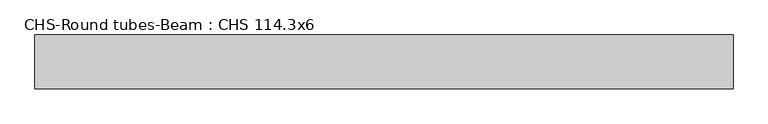
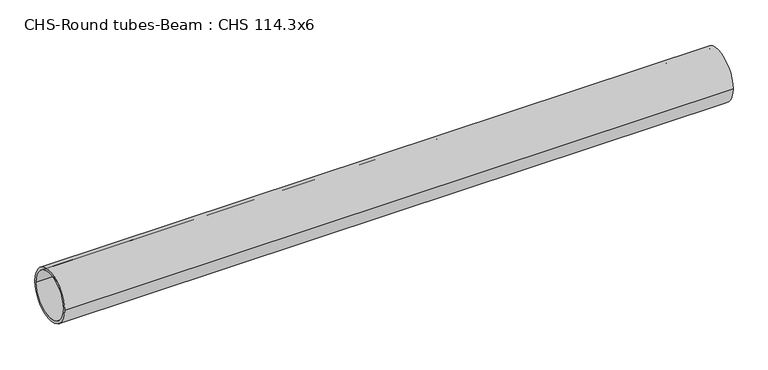
"""IFC4 building model written with IfcOpenShell, lengths in millimetres: beam geometry, CHS-Round tubes-Beam : CHS 114.3x6."""

from ifc_helpers import new_model, si_unit, point, frame, origin, origin_2d, place, context, project, spatial, circle_curve, trimmed, segment, composite_curve, outline, extrude, source, transform, mapped, element, save


def chs_round_tubes_beam_chs_114_3x6_26f6e6dc(model_context):
    return source(origin(), model_context, "Body", "SweptSolid", [
        extrude(outline(composite_curve([segment(trimmed(circle_curve(origin_2d(), 57.15), [point((57.15, 0.0))], [point((-57.15, 0.0))], False, "CARTESIAN"), True, "CONTINUOUS"), segment(trimmed(circle_curve(origin_2d(), 57.15), [point((-57.15, 0.0))], [point((57.15, 0.0))], False, "CARTESIAN"), True, "CONTINUOUS")], self_intersect=False), holes=[composite_curve([segment(trimmed(circle_curve(origin_2d(), 51.15), [point((51.15, 0.0))], [point((-51.15, 0.0))], True, "CARTESIAN"), True, "CONTINUOUS"), segment(trimmed(circle_curve(origin_2d(), 51.15), [point((-51.15, 0.0))], [point((51.15, 0.0))], True, "CARTESIAN"), True, "CONTINUOUS")], self_intersect=False)]), frame((-759.2822476, 0.0, 0.0), z_axis=(1.0, 0.0, 0.0), x_axis=(0.0, 1.0, 0.0)), (0.0, 0.0, 1.0), 1481.4803622),
    ])


if __name__ == "__main__":
    model = new_model("IFC4")
    model_context = context("Model", 3, world=origin())
    ifc_project = project(units=[si_unit("LENGTHUNIT", "METRE", prefix="MILLI")], contexts=[model_context])
    site = spatial("IfcSite", under=ifc_project)
    building = spatial("IfcBuilding", under=site)
    placement = place(None, origin())
    chs_round_tubes_beam_chs_114_3x6_shape = chs_round_tubes_beam_chs_114_3x6_26f6e6dc(model_context)
    element("IfcBeam", 1, ObjectType="CHS-Round tubes-Beam : CHS 114.3x6", at=placement, inside=building, context=model_context, shape_type="MappedRepresentation", body=[
        mapped(chs_round_tubes_beam_chs_114_3x6_shape, transform((0.0, 0.0, 0.0), x_axis=(1.0, 0.0, 0.0), y_axis=(0.0, 1.0, 0.0), z_axis=(0.0, 0.0, 1.0))),
    ])
    save(model, "model.ifc")
